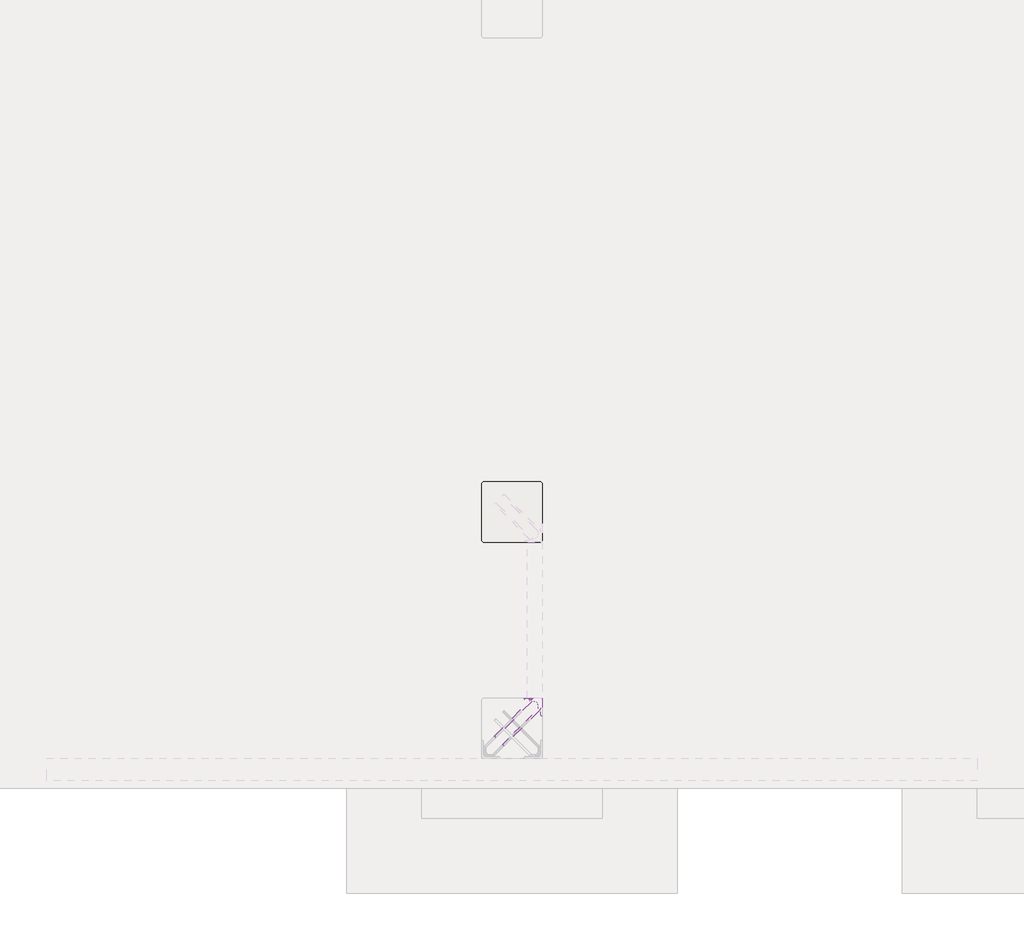
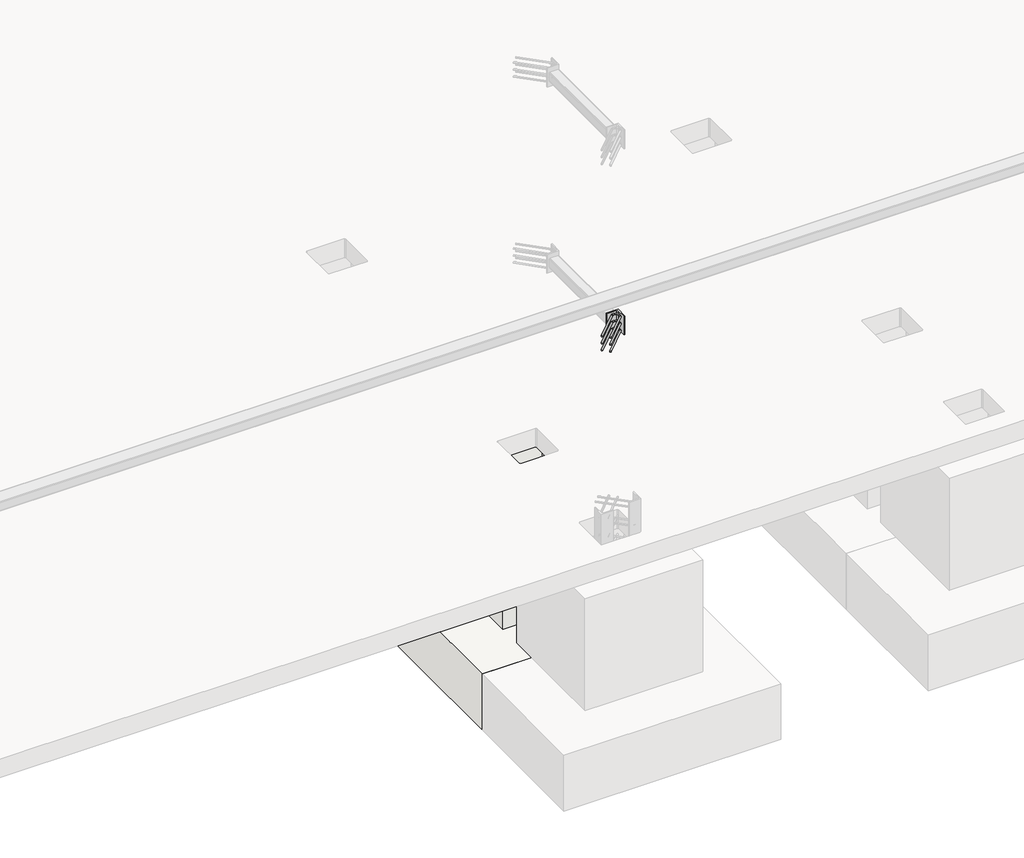
# One storey, part 47 of 65: 1 fastener, 1 slab.
"""IFC4 building model written with IfcOpenShell, lengths in millimetres."""

from ifc_helpers import new_model, si_unit, point, frame, frame_2d, origin, place, context, project, spatial, polyline, circle_curve, ellipse_curve, trimmed, segment, composite_curve, outline, extrude, faceted_brep, element, save
from ifc_brep_helpers import plane_surface, cylinder_surface, revolved_surface, advanced_brep

model = new_model("IFC4")

# Units and contexts
model_context = context("Model", 3, world=origin())
ifc_project = project(units=[si_unit("LENGTHUNIT", "METRE", prefix="MILLI")], contexts=[model_context])

# Site, building, storey
site = spatial("IfcSite", under=ifc_project)
building = spatial("IfcBuilding", under=site)
storey = spatial("IfcBuildingStorey", under=building, Elevation=0.0)

# Fastener
placement = place(None, origin())
element("IfcFastener", 1, at=placement, inside=storey, context=model_context, shape_type="SolidModel", body=[
    extrude(outline(composite_curve([segment(polyline([(71350.0, 10200.0), (71350.0, 10080.0), (71346.5, 10080.0)]), True, "CONTINUOUS"), segment(trimmed(circle_curve(frame_2d((71346.5, 10086.5)), 6.5), [point((71346.5, 10080.0))], [point((71340.0, 10086.5))], False, "CARTESIAN"), True, "CONTINUOUS"), segment(polyline([(71340.0, 10086.5), (71340.0, 10177.0)]), True, "CONTINUOUS"), segment(trimmed(circle_curve(frame_2d((71327.0, 10177.0)), 13.0), [point((71340.0, 10177.0))], [point((71327.0, 10190.0))], True, "CARTESIAN"), True, "CONTINUOUS"), segment(polyline([(71327.0, 10190.0), (71236.5, 10190.0)]), True, "CONTINUOUS"), segment(trimmed(circle_curve(frame_2d((71236.5, 10196.5)), 6.5), [point((71236.5, 10190.0))], [point((71230.0, 10196.5))], False, "CARTESIAN"), True, "CONTINUOUS"), segment(polyline([(71230.0, 10196.5), (71230.0, 10200.0), (71350.0, 10200.0)]), True, "CONTINUOUS")], self_intersect=False)), frame((0.0, 0.0, 1950.0), z_axis=(0.0, 0.0, 1.0), x_axis=(1.0, 0.0, 0.0)), (0.0, 0.0, 1.0), 200.0),
    advanced_brep(
    [(71097.4623741, 9882.5628791, 1975.0), (71087.5628791, 9892.4623741, 1975.0), (71032.5628791, 9947.4623741, 1975.0), (71042.4623741, 9937.5628791, 1975.0), (71303.0, 10176.0, 1975.0), (71303.0, 10190.0, 1975.0), (71284.2132034, 10190.0, 1975.0), (71284.2132034, 10176.0, 1975.0), (71326.0, 10153.0, 1975.0), (71340.0, 10153.0, 1975.0), (71326.0, 10134.2132034, 1975.0), (71340.0, 10134.2132034, 1975.0), (71333.5563492, 10118.6568542, 1975.0), (71323.6568543, 10128.5563492, 1975.0), (71278.5563492, 10173.6568542, 1975.0), (71268.6568543, 10183.5563492, 1975.0)],
    [
        (0, 1, circle_curve(frame((71092.5126266, 9887.5126266, 1975.0), z_axis=(-0.7071067811865505, -0.7071067811865446, 0.0), x_axis=(-0.7071067811865447, 0.7071067811865506, 0.0)), 7.0)),
        (1, 0, circle_curve(frame((71092.5126266, 9887.5126266, 1975.0), z_axis=(-0.7071067811865505, -0.7071067811865446, 0.0), x_axis=(-0.7071067811865447, 0.7071067811865506, 0.0)), 7.0)),
        (2, 3, circle_curve(frame((71037.5126266, 9942.5126266, 1975.0), z_axis=(-0.7071067811865503, -0.7071067811865447, 0.0), x_axis=(0.7071067811865447, -0.7071067811865503, 0.0)), 7.0)),
        (3, 2, circle_curve(frame((71037.5126266, 9942.5126266, 1975.0), z_axis=(-0.7071067811865503, -0.7071067811865447, 0.0), x_axis=(0.7071067811865447, -0.7071067811865503, 0.0)), 7.0)),
        (4, 5, circle_curve(frame((71303.0, 10183.0, 1975.0), z_axis=(-1.0, 0.0, 0.0), x_axis=(0.0, -1.0, 0.0)), 7.0)),
        (5, 6),
        (6, 7, circle_curve(frame((71284.2132034, 10183.0, 1975.0), z_axis=(1.0, 0.0, 0.0), x_axis=(0.0, -1.0, 0.0)), 7.0)),
        (7, 4),
        (5, 4, circle_curve(frame((71303.0, 10183.0, 1975.0), z_axis=(-1.0, 0.0, 0.0), x_axis=(0.0, -1.0, 0.0)), 7.0)),
        (7, 6, circle_curve(frame((71284.2132034, 10183.0, 1975.0), z_axis=(1.0, 0.0, 0.0), x_axis=(0.0, -1.0, 0.0)), 7.0)),
        (4, 8, circle_curve(frame((71303.0, 10153.0, 1975.0), z_axis=(0.0, 0.0, -1.0), x_axis=(1.0, 0.0, 0.0)), 23.0)),
        (8, 9, circle_curve(frame((71333.0, 10153.0, 1975.0), z_axis=(0.0, 1.0, 0.0), x_axis=(-1.0, 0.0, 0.0)), 7.0)),
        (9, 5, circle_curve(frame((71303.0, 10153.0, 1975.0), z_axis=(0.0, 0.0, 1.0), x_axis=(1.0, 0.0, 0.0)), 37.0)),
        (9, 8, circle_curve(frame((71333.0, 10153.0, 1975.0), z_axis=(0.0, 1.0, 0.0), x_axis=(-1.0, 0.0, 0.0)), 7.0)),
        (10, 11, circle_curve(frame((71333.0, 10134.2132034, 1975.0), z_axis=(0.0, 1.0, 0.0), x_axis=(-1.0, 0.0, 0.0)), 7.0)),
        (11, 9),
        (8, 10),
        (11, 10, circle_curve(frame((71333.0, 10134.2132034, 1975.0), z_axis=(0.0, 1.0, 0.0), x_axis=(-1.0, 0.0, 0.0)), 7.0)),
        (0, 12),
        (12, 13, circle_curve(frame((71328.6066017, 10123.6066017, 1975.0), z_axis=(-0.7071067811865505, -0.7071067811865446, 0.0), x_axis=(-0.7071067811865447, 0.7071067811865506, 0.0)), 7.0)),
        (13, 1),
        (13, 12, circle_curve(frame((71328.6066017, 10123.6066017, 1975.0), z_axis=(-0.7071067811865505, -0.7071067811865446, 0.0), x_axis=(-0.7071067811865447, 0.7071067811865506, 0.0)), 7.0)),
        (10, 13, circle_curve(frame((71318.0, 10134.2132034, 1975.0), z_axis=(0.0, 0.0, -1.0), x_axis=(0.7071067811865445, -0.7071067811865506, 0.0)), 8.0)),
        (12, 11, circle_curve(frame((71318.0, 10134.2132034, 1975.0), z_axis=(0.0, 0.0, 1.0), x_axis=(0.7071067811865445, -0.7071067811865506, 0.0)), 22.0)),
        (14, 7, circle_curve(frame((71284.2132034, 10168.0, 1975.0), z_axis=(0.0, 0.0, -1.0), x_axis=(0.0, 1.0, 0.0)), 8.0)),
        (6, 15, circle_curve(frame((71284.2132034, 10168.0, 1975.0), z_axis=(0.0, 0.0, 1.0), x_axis=(0.0, 1.0, 0.0)), 22.0)),
        (15, 14, circle_curve(frame((71273.6066017, 10178.6066017, 1975.0), z_axis=(0.7071067811865501, 0.7071067811865449, 0.0), x_axis=(0.7071067811865449, -0.7071067811865501, 0.0)), 7.0)),
        (14, 15, circle_curve(frame((71273.6066017, 10178.6066017, 1975.0), z_axis=(0.7071067811865496, 0.7071067811865455, 0.0), x_axis=(0.7071067811865455, -0.7071067811865496, 0.0)), 7.0)),
        (15, 2),
        (3, 14),
    ],
    [
        plane_surface(frame((71092.5126266, 9887.5126266, 1975.0), z_axis=(-0.7071067811865505, -0.7071067811865446, 0.0), x_axis=(0.0, 0.0, 1.0))),
        plane_surface(frame((71037.5126266, 9942.5126266, 1975.0), z_axis=(-0.7071067811865503, -0.7071067811865447, 0.0), x_axis=(0.0, 0.0, 1.0))),
        cylinder_surface(frame((71303.0, 10183.0, 1975.0), z_axis=(1.0, 0.0, 0.0), x_axis=(0.0, -1.0, 0.0)), 7.0),
        revolved_surface(trimmed(ellipse_curve(frame((71333.0, 10153.0, 1975.0), z_axis=(0.0, -1.0, 0.0), x_axis=(-1.0, 0.0, 0.0)), 7.0, 7.0), [point((71340.0, 10153.0, 1975.0))], [point((71326.0, 10153.0, 1975.0))], True, "CARTESIAN"), (71303.0, 10153.0, 1975.0), (0.0, 0.0, 1.0)),
        revolved_surface(trimmed(ellipse_curve(frame((71333.0, 10153.0, 1975.0), z_axis=(0.0, -1.0, 0.0), x_axis=(-1.0, 0.0, 0.0)), 7.0, 7.0), [point((71326.0, 10153.0, 1975.0))], [point((71340.0, 10153.0, 1975.0))], True, "CARTESIAN"), (71303.0, 10153.0, 1975.0), (0.0, 0.0, 1.0)),
        cylinder_surface(frame((71333.0, 10134.2132034, 1975.0), z_axis=(0.0, -1.0, 0.0), x_axis=(-1.0, 0.0, 0.0)), 7.0),
        cylinder_surface(frame((71092.5126266, 9887.5126266, 1975.0), z_axis=(-0.7071067811865506, -0.7071067811865447, 0.0), x_axis=(-0.7071067811865447, 0.7071067811865506, 0.0)), 7.0),
        revolved_surface(trimmed(ellipse_curve(frame((71328.6066017, 10123.6066017, 1975.0), z_axis=(-0.7071067811865506, -0.7071067811865445, 0.0), x_axis=(-0.7071067811865445, 0.7071067811865506, 0.0)), 7.0, 7.0), [point((71333.5563492, 10118.6568542, 1975.0))], [point((71323.6568543, 10128.5563492, 1975.0))], True, "CARTESIAN"), (71318.0, 10134.2132034, 1975.0), (0.0, 0.0, 1.0)),
        revolved_surface(trimmed(ellipse_curve(frame((71328.6066017, 10123.6066017, 1975.0), z_axis=(-0.7071067811865506, -0.7071067811865445, 0.0), x_axis=(-0.7071067811865445, 0.7071067811865506, 0.0)), 7.0, 7.0), [point((71323.6568543, 10128.5563492, 1975.0))], [point((71333.5563492, 10118.6568542, 1975.0))], True, "CARTESIAN"), (71318.0, 10134.2132034, 1975.0), (0.0, 0.0, 1.0)),
        revolved_surface(trimmed(ellipse_curve(frame((71284.2132034, 10183.0, 1975.0), z_axis=(1.0, 0.0, 0.0), x_axis=(0.0, -1.0, 0.0)), 7.0, 7.0), [point((71284.2132034, 10190.0, 1975.0))], [point((71284.2132034, 10176.0, 1975.0))], True, "CARTESIAN"), (71284.2132034, 10168.0, 1975.0), (0.0, 0.0, 1.0)),
        revolved_surface(trimmed(ellipse_curve(frame((71284.2132034, 10183.0, 1975.0), z_axis=(1.0, 0.0, 0.0), x_axis=(0.0, -1.0, 0.0)), 7.0, 7.0), [point((71284.2132034, 10176.0, 1975.0))], [point((71284.2132034, 10190.0, 1975.0))], True, "CARTESIAN"), (71284.2132034, 10168.0, 1975.0), (0.0, 0.0, 1.0)),
        cylinder_surface(frame((71273.6066017, 10178.6066017, 1975.0), z_axis=(0.7071067811865503, 0.7071067811865447, 0.0), x_axis=(0.7071067811865447, -0.7071067811865503, 0.0)), 7.0),
    ],
    [
        (0, [[1, 2]]),
        (1, [[3, 4]]),
        (2, [[5, 6, 7, 8]]),
        (2, [[9, -8, 10, -6]]),
        (3, [[11, 12, 13, -5]]),
        (4, [[-13, 14, -11, -9]]),
        (5, [[15, 16, -12, 17]]),
        (5, [[18, -17, -14, -16]]),
        (6, [[-1, 19, 20, 21]]),
        (6, [[-2, -21, 22, -19]]),
        (7, [[23, -20, 24, -15]]),
        (8, [[-24, -22, -23, -18]]),
        (9, [[25, -7, 26, 27]]),
        (10, [[-26, -10, -25, 28]]),
        (11, [[-27, 29, -4, 30]]),
        (11, [[-28, -30, -3, -29]]),
    ],
),
    advanced_brep(
    [(71087.5628791, 9892.4623741, 2125.0), (71097.4623741, 9882.5628791, 2125.0), (71042.4623741, 9937.5628791, 2125.0), (71032.5628791, 9947.4623741, 2125.0), (71303.0, 10190.0, 2125.0), (71303.0, 10176.0, 2125.0), (71284.2132034, 10176.0, 2125.0), (71284.2132034, 10190.0, 2125.0), (71340.0, 10153.0, 2125.0), (71326.0, 10153.0, 2125.0), (71340.0, 10134.2132034, 2125.0), (71326.0, 10134.2132034, 2125.0), (71323.6568543, 10128.5563492, 2125.0), (71333.5563492, 10118.6568542, 2125.0), (71268.6568543, 10183.5563492, 2125.0), (71278.5563492, 10173.6568542, 2125.0)],
    [
        (0, 1, circle_curve(frame((71092.5126266, 9887.5126266, 2125.0), z_axis=(-0.7071067811865505, -0.7071067811865446, 0.0), x_axis=(0.7071067811865447, -0.7071067811865506, 0.0)), 7.0)),
        (1, 0, circle_curve(frame((71092.5126266, 9887.5126266, 2125.0), z_axis=(-0.7071067811865505, -0.7071067811865446, 0.0), x_axis=(0.7071067811865447, -0.7071067811865506, 0.0)), 7.0)),
        (2, 3, circle_curve(frame((71037.5126266, 9942.5126266, 2125.0), z_axis=(-0.7071067811865505, -0.7071067811865447, 0.0), x_axis=(-0.7071067811865447, 0.7071067811865505, 0.0)), 7.0)),
        (3, 2, circle_curve(frame((71037.5126266, 9942.5126266, 2125.0), z_axis=(-0.7071067811865505, -0.7071067811865447, 0.0), x_axis=(-0.7071067811865447, 0.7071067811865505, 0.0)), 7.0)),
        (4, 5, circle_curve(frame((71303.0, 10183.0, 2125.0), z_axis=(-1.0, 0.0, 0.0), x_axis=(0.0, 1.0, 0.0)), 7.0)),
        (5, 6),
        (6, 7, circle_curve(frame((71284.2132034, 10183.0, 2125.0), z_axis=(1.0, 0.0, 0.0), x_axis=(0.0, 1.0, 0.0)), 7.0)),
        (7, 4),
        (5, 4, circle_curve(frame((71303.0, 10183.0, 2125.0), z_axis=(-1.0, 0.0, 0.0), x_axis=(0.0, 1.0, 0.0)), 7.0)),
        (7, 6, circle_curve(frame((71284.2132034, 10183.0, 2125.0), z_axis=(1.0, 0.0, 0.0), x_axis=(0.0, 1.0, 0.0)), 7.0)),
        (4, 8, circle_curve(frame((71303.0, 10153.0, 2125.0), z_axis=(0.0, 0.0, -1.0), x_axis=(1.0, 0.0, 0.0)), 37.0)),
        (8, 9, circle_curve(frame((71333.0, 10153.0, 2125.0), z_axis=(0.0, 1.0, 0.0), x_axis=(1.0, 0.0, 0.0)), 7.0)),
        (9, 5, circle_curve(frame((71303.0, 10153.0, 2125.0), z_axis=(0.0, 0.0, 1.0), x_axis=(1.0, 0.0, 0.0)), 23.0)),
        (9, 8, circle_curve(frame((71333.0, 10153.0, 2125.0), z_axis=(0.0, 1.0, 0.0), x_axis=(1.0, 0.0, 0.0)), 7.0)),
        (10, 11, circle_curve(frame((71333.0, 10134.2132034, 2125.0), z_axis=(0.0, 1.0, 0.0), x_axis=(1.0, 0.0, 0.0)), 7.0)),
        (11, 9),
        (8, 10),
        (11, 10, circle_curve(frame((71333.0, 10134.2132034, 2125.0), z_axis=(0.0, 1.0, 0.0), x_axis=(1.0, 0.0, 0.0)), 7.0)),
        (0, 12),
        (12, 13, circle_curve(frame((71328.6066017, 10123.6066017, 2125.0), z_axis=(-0.7071067811865505, -0.7071067811865446, 0.0), x_axis=(0.7071067811865447, -0.7071067811865506, 0.0)), 7.0)),
        (13, 1),
        (13, 12, circle_curve(frame((71328.6066017, 10123.6066017, 2125.0), z_axis=(-0.7071067811865505, -0.7071067811865446, 0.0), x_axis=(0.7071067811865447, -0.7071067811865506, 0.0)), 7.0)),
        (10, 13, circle_curve(frame((71318.0, 10134.2132034, 2125.0), z_axis=(0.0, 0.0, -1.0), x_axis=(0.7071067811865445, -0.7071067811865506, 0.0)), 22.0)),
        (12, 11, circle_curve(frame((71318.0, 10134.2132034, 2125.0), z_axis=(0.0, 0.0, 1.0), x_axis=(0.7071067811865445, -0.7071067811865506, 0.0)), 8.0)),
        (14, 7, circle_curve(frame((71284.2132034, 10168.0, 2125.0), z_axis=(0.0, 0.0, -1.0), x_axis=(0.0, 1.0, 0.0)), 22.0)),
        (6, 15, circle_curve(frame((71284.2132034, 10168.0, 2125.0), z_axis=(0.0, 0.0, 1.0), x_axis=(0.0, 1.0, 0.0)), 8.0)),
        (15, 14, circle_curve(frame((71273.6066017, 10178.6066017, 2125.0), z_axis=(0.7071067811865488, 0.7071067811865462, 0.0), x_axis=(-0.7071067811865462, 0.7071067811865488, 0.0)), 7.0)),
        (14, 15, circle_curve(frame((71273.6066017, 10178.6066017, 2125.0), z_axis=(0.7071067811865496, 0.7071067811865455, 0.0), x_axis=(-0.7071067811865455, 0.7071067811865496, 0.0)), 7.0)),
        (15, 2),
        (3, 14),
    ],
    [
        plane_surface(frame((71092.5126266, 9887.5126266, 2125.0), z_axis=(-0.7071067811865505, -0.7071067811865446, 0.0), x_axis=(0.0, 0.0, -1.0))),
        plane_surface(frame((71037.5126266, 9942.5126266, 2125.0), z_axis=(-0.7071067811865505, -0.7071067811865447, 0.0), x_axis=(0.0, 0.0, -1.0))),
        cylinder_surface(frame((71303.0, 10183.0, 2125.0), z_axis=(1.0, 0.0, 0.0), x_axis=(0.0, 1.0, 0.0)), 7.0),
        revolved_surface(trimmed(ellipse_curve(frame((71333.0, 10153.0, 2125.0), z_axis=(0.0, -1.0, 0.0), x_axis=(1.0, 0.0, 0.0)), 7.0, 7.0), [point((71326.0, 10153.0, 2125.0))], [point((71340.0, 10153.0, 2125.0))], True, "CARTESIAN"), (71303.0, 10153.0, 2125.0), (0.0, 0.0, 1.0)),
        revolved_surface(trimmed(ellipse_curve(frame((71333.0, 10153.0, 2125.0), z_axis=(0.0, -1.0, 0.0), x_axis=(1.0, 0.0, 0.0)), 7.0, 7.0), [point((71340.0, 10153.0, 2125.0))], [point((71326.0, 10153.0, 2125.0))], True, "CARTESIAN"), (71303.0, 10153.0, 2125.0), (0.0, 0.0, 1.0)),
        cylinder_surface(frame((71333.0, 10134.2132034, 2125.0), z_axis=(0.0, -1.0, 0.0), x_axis=(1.0, 0.0, 0.0)), 7.0),
        cylinder_surface(frame((71092.5126266, 9887.5126266, 2125.0), z_axis=(-0.7071067811865506, -0.7071067811865447, 0.0), x_axis=(0.7071067811865447, -0.7071067811865506, 0.0)), 7.0),
        revolved_surface(trimmed(ellipse_curve(frame((71328.6066017, 10123.6066017, 2125.0), z_axis=(-0.7071067811865506, -0.7071067811865445, 0.0), x_axis=(0.7071067811865445, -0.7071067811865506, 0.0)), 7.0, 7.0), [point((71323.6568543, 10128.5563492, 2125.0))], [point((71333.5563492, 10118.6568542, 2125.0))], True, "CARTESIAN"), (71318.0, 10134.2132034, 2125.0), (0.0, 0.0, 1.0)),
        revolved_surface(trimmed(ellipse_curve(frame((71328.6066017, 10123.6066017, 2125.0), z_axis=(-0.7071067811865506, -0.7071067811865445, 0.0), x_axis=(0.7071067811865445, -0.7071067811865506, 0.0)), 7.0, 7.0), [point((71333.5563492, 10118.6568542, 2125.0))], [point((71323.6568543, 10128.5563492, 2125.0))], True, "CARTESIAN"), (71318.0, 10134.2132034, 2125.0), (0.0, 0.0, 1.0)),
        revolved_surface(trimmed(ellipse_curve(frame((71284.2132034, 10183.0, 2125.0), z_axis=(1.0, 0.0, 0.0), x_axis=(0.0, 1.0, 0.0)), 7.0, 7.0), [point((71284.2132034, 10176.0, 2125.0))], [point((71284.2132034, 10190.0, 2125.0))], True, "CARTESIAN"), (71284.2132034, 10168.0, 2125.0), (0.0, 0.0, 1.0)),
        revolved_surface(trimmed(ellipse_curve(frame((71284.2132034, 10183.0, 2125.0), z_axis=(1.0, 0.0, 0.0), x_axis=(0.0, 1.0, 0.0)), 7.0, 7.0), [point((71284.2132034, 10190.0, 2125.0))], [point((71284.2132034, 10176.0, 2125.0))], True, "CARTESIAN"), (71284.2132034, 10168.0, 2125.0), (0.0, 0.0, 1.0)),
        cylinder_surface(frame((71273.6066017, 10178.6066017, 2125.0), z_axis=(0.7071067811865505, 0.7071067811865447, 0.0), x_axis=(-0.7071067811865447, 0.7071067811865505, 0.0)), 7.0),
    ],
    [
        (0, [[1, 2]]),
        (1, [[3, 4]]),
        (2, [[5, 6, 7, 8]]),
        (2, [[9, -8, 10, -6]]),
        (3, [[11, 12, 13, -5]]),
        (4, [[-13, 14, -11, -9]]),
        (5, [[15, 16, -12, 17]]),
        (5, [[18, -17, -14, -16]]),
        (6, [[-1, 19, 20, 21]]),
        (6, [[-2, -21, 22, -19]]),
        (7, [[23, -20, 24, -15]]),
        (8, [[-24, -22, -23, -18]]),
        (9, [[25, -7, 26, 27]]),
        (10, [[-26, -10, -25, 28]]),
        (11, [[-27, 29, -4, 30]]),
        (11, [[-28, -30, -3, -29]]),
    ],
),
    advanced_brep(
    [(71087.5628791, 9892.4623741, 2050.0), (71097.4623741, 9882.5628791, 2050.0), (71042.4623741, 9937.5628791, 2050.0), (71032.5628791, 9947.4623741, 2050.0), (71303.0, 10190.0, 2050.0), (71303.0, 10176.0, 2050.0), (71284.2132034, 10176.0, 2050.0), (71284.2132034, 10190.0, 2050.0), (71340.0, 10153.0, 2050.0), (71326.0, 10153.0, 2050.0), (71340.0, 10134.2132034, 2050.0), (71326.0, 10134.2132034, 2050.0), (71323.6568543, 10128.5563492, 2050.0), (71333.5563492, 10118.6568542, 2050.0), (71268.6568543, 10183.5563492, 2050.0), (71278.5563492, 10173.6568542, 2050.0)],
    [
        (0, 1, circle_curve(frame((71092.5126266, 9887.5126266, 2050.0), z_axis=(-0.7071067811865505, -0.7071067811865446, 0.0), x_axis=(0.7071067811865446, -0.7071067811865505, 0.0)), 7.0)),
        (1, 0, circle_curve(frame((71092.5126266, 9887.5126266, 2050.0), z_axis=(-0.7071067811865505, -0.7071067811865446, 0.0), x_axis=(0.7071067811865446, -0.7071067811865505, 0.0)), 7.0)),
        (2, 3, circle_curve(frame((71037.5126266, 9942.5126266, 2050.0), z_axis=(-0.7071067811865505, -0.7071067811865447, 0.0), x_axis=(-0.7071067811865447, 0.7071067811865505, 0.0)), 7.0)),
        (3, 2, circle_curve(frame((71037.5126266, 9942.5126266, 2050.0), z_axis=(-0.7071067811865505, -0.7071067811865447, 0.0), x_axis=(-0.7071067811865447, 0.7071067811865505, 0.0)), 7.0)),
        (4, 5, circle_curve(frame((71303.0, 10183.0, 2050.0), z_axis=(-1.0, 0.0, 0.0), x_axis=(0.0, 1.0, 0.0)), 7.0)),
        (5, 6),
        (6, 7, circle_curve(frame((71284.2132034, 10183.0, 2050.0), z_axis=(1.0, 0.0, 0.0), x_axis=(0.0, 1.0, 0.0)), 7.0)),
        (7, 4),
        (5, 4, circle_curve(frame((71303.0, 10183.0, 2050.0), z_axis=(-1.0, 0.0, 0.0), x_axis=(0.0, 1.0, 0.0)), 7.0)),
        (7, 6, circle_curve(frame((71284.2132034, 10183.0, 2050.0), z_axis=(1.0, 0.0, 0.0), x_axis=(0.0, 1.0, 0.0)), 7.0)),
        (4, 8, circle_curve(frame((71303.0, 10153.0, 2050.0), z_axis=(0.0, 0.0, -1.0), x_axis=(1.0, 0.0, 0.0)), 37.0)),
        (8, 9, circle_curve(frame((71333.0, 10153.0, 2050.0), z_axis=(0.0, 1.0, 0.0), x_axis=(1.0, 0.0, 0.0)), 7.0)),
        (9, 5, circle_curve(frame((71303.0, 10153.0, 2050.0), z_axis=(0.0, 0.0, 1.0), x_axis=(1.0, 0.0, 0.0)), 23.0)),
        (9, 8, circle_curve(frame((71333.0, 10153.0, 2050.0), z_axis=(0.0, 1.0, 0.0), x_axis=(1.0, 0.0, 0.0)), 7.0)),
        (10, 11, circle_curve(frame((71333.0, 10134.2132034, 2050.0), z_axis=(0.0, 1.0, 0.0), x_axis=(1.0, 0.0, 0.0)), 7.0)),
        (11, 9),
        (8, 10),
        (11, 10, circle_curve(frame((71333.0, 10134.2132034, 2050.0), z_axis=(0.0, 1.0, 0.0), x_axis=(1.0, 0.0, 0.0)), 7.0)),
        (0, 12),
        (12, 13, circle_curve(frame((71328.6066017, 10123.6066017, 2050.0), z_axis=(-0.7071067811865505, -0.7071067811865446, 0.0), x_axis=(0.7071067811865446, -0.7071067811865505, 0.0)), 7.0)),
        (13, 1),
        (13, 12, circle_curve(frame((71328.6066017, 10123.6066017, 2050.0), z_axis=(-0.7071067811865505, -0.7071067811865446, 0.0), x_axis=(0.7071067811865446, -0.7071067811865505, 0.0)), 7.0)),
        (10, 13, circle_curve(frame((71318.0, 10134.2132034, 2050.0), z_axis=(0.0, 0.0, -1.0), x_axis=(0.7071067811865445, -0.7071067811865506, 0.0)), 22.0)),
        (12, 11, circle_curve(frame((71318.0, 10134.2132034, 2050.0), z_axis=(0.0, 0.0, 1.0), x_axis=(0.7071067811865445, -0.7071067811865506, 0.0)), 8.0)),
        (14, 7, circle_curve(frame((71284.2132034, 10168.0, 2050.0), z_axis=(0.0, 0.0, -1.0), x_axis=(0.0, 1.0, 0.0)), 22.0)),
        (6, 15, circle_curve(frame((71284.2132034, 10168.0, 2050.0), z_axis=(0.0, 0.0, 1.0), x_axis=(0.0, 1.0, 0.0)), 8.0)),
        (15, 14, circle_curve(frame((71273.6066017, 10178.6066017, 2050.0), z_axis=(0.7071067811865502, 0.7071067811865448, 0.0), x_axis=(-0.7071067811865448, 0.7071067811865502, 0.0)), 7.0)),
        (14, 15, circle_curve(frame((71273.6066017, 10178.6066017, 2050.0), z_axis=(0.7071067811865501, 0.7071067811865449, 0.0), x_axis=(-0.7071067811865449, 0.7071067811865501, 0.0)), 7.0)),
        (15, 2),
        (3, 14),
    ],
    [
        plane_surface(frame((71092.5126266, 9887.5126266, 2050.0), z_axis=(-0.7071067811865505, -0.7071067811865446, 0.0), x_axis=(0.0, 0.0, -1.0))),
        plane_surface(frame((71037.5126266, 9942.5126266, 2050.0), z_axis=(-0.7071067811865503, -0.7071067811865448, 0.0), x_axis=(0.0, 0.0, -1.0))),
        cylinder_surface(frame((71303.0, 10183.0, 2050.0), z_axis=(1.0, 0.0, 0.0), x_axis=(0.0, 1.0, 0.0)), 7.0),
        revolved_surface(trimmed(ellipse_curve(frame((71333.0, 10153.0, 2050.0), z_axis=(0.0, -1.0, 0.0), x_axis=(1.0, 0.0, 0.0)), 7.0, 7.0), [point((71326.0, 10153.0, 2050.0))], [point((71340.0, 10153.0, 2050.0))], True, "CARTESIAN"), (71303.0, 10153.0, 2050.0), (0.0, 0.0, 1.0)),
        revolved_surface(trimmed(ellipse_curve(frame((71333.0, 10153.0, 2050.0), z_axis=(0.0, -1.0, 0.0), x_axis=(1.0, 0.0, 0.0)), 7.0, 7.0), [point((71340.0, 10153.0, 2050.0))], [point((71326.0, 10153.0, 2050.0))], True, "CARTESIAN"), (71303.0, 10153.0, 2050.0), (0.0, 0.0, 1.0)),
        cylinder_surface(frame((71333.0, 10134.2132034, 2050.0), z_axis=(0.0, -1.0, 0.0), x_axis=(1.0, 0.0, 0.0)), 7.0),
        cylinder_surface(frame((71092.5126266, 9887.5126266, 2050.0), z_axis=(-0.7071067811865505, -0.7071067811865446, 0.0), x_axis=(0.7071067811865446, -0.7071067811865505, 0.0)), 7.0),
        revolved_surface(trimmed(ellipse_curve(frame((71328.6066017, 10123.6066017, 2050.0), z_axis=(-0.7071067811865507, -0.7071067811865444, 0.0), x_axis=(0.7071067811865444, -0.7071067811865507, 0.0)), 7.0, 7.0), [point((71323.6568543, 10128.5563492, 2050.0))], [point((71333.5563492, 10118.6568542, 2050.0))], True, "CARTESIAN"), (71318.0, 10134.2132034, 2050.0), (0.0, 0.0, 1.0)),
        revolved_surface(trimmed(ellipse_curve(frame((71328.6066017, 10123.6066017, 2050.0), z_axis=(-0.7071067811865507, -0.7071067811865444, 0.0), x_axis=(0.7071067811865444, -0.7071067811865507, 0.0)), 7.0, 7.0), [point((71333.5563492, 10118.6568542, 2050.0))], [point((71323.6568543, 10128.5563492, 2050.0))], True, "CARTESIAN"), (71318.0, 10134.2132034, 2050.0), (0.0, 0.0, 1.0)),
        revolved_surface(trimmed(ellipse_curve(frame((71284.2132034, 10183.0, 2050.0), z_axis=(1.0, 0.0, 0.0), x_axis=(0.0, 1.0, 0.0)), 7.0, 7.0), [point((71284.2132034, 10176.0, 2050.0))], [point((71284.2132034, 10190.0, 2050.0))], True, "CARTESIAN"), (71284.2132034, 10168.0, 2050.0), (0.0, 0.0, 1.0)),
        revolved_surface(trimmed(ellipse_curve(frame((71284.2132034, 10183.0, 2050.0), z_axis=(1.0, 0.0, 0.0), x_axis=(0.0, 1.0, 0.0)), 7.0, 7.0), [point((71284.2132034, 10190.0, 2050.0))], [point((71284.2132034, 10176.0, 2050.0))], True, "CARTESIAN"), (71284.2132034, 10168.0, 2050.0), (0.0, 0.0, 1.0)),
        cylinder_surface(frame((71273.6066017, 10178.6066017, 2050.0), z_axis=(0.7071067811865505, 0.7071067811865447, 0.0), x_axis=(-0.7071067811865447, 0.7071067811865505, 0.0)), 7.0),
    ],
    [
        (0, [[1, 2]]),
        (1, [[3, 4]]),
        (2, [[5, 6, 7, 8]]),
        (2, [[9, -8, 10, -6]]),
        (3, [[11, 12, 13, -5]]),
        (4, [[-13, 14, -11, -9]]),
        (5, [[15, 16, -12, 17]]),
        (5, [[18, -17, -14, -16]]),
        (6, [[-1, 19, 20, 21]]),
        (6, [[-2, -21, 22, -19]]),
        (7, [[23, -20, 24, -15]]),
        (8, [[-24, -22, -23, -18]]),
        (9, [[25, -7, 26, 27]]),
        (10, [[-26, -10, -25, 28]]),
        (11, [[-27, 29, -4, 30]]),
        (11, [[-28, -30, -3, -29]]),
    ],
),
])

# Slab
element("IfcSlab", 2, ObjectType="F2.2x2.2x0.6m P1.2x1.2x1.2m", at=placement, inside=storey, context=model_context, shape_type="Brep", body=[
    faceted_brep([(70050.0, 10340.0, -2000.0), (72250.0, 10340.0, -2000.0), (72250.0, 10340.0, -1400.0), (71750.0, 10340.0, -1400.0), (70550.0, 10340.0, -1400.0), (70050.0, 10340.0, -1400.0), (70050.0, 12540.0, -1400.0), (72250.0, 12540.0, -1400.0), (70550.0, 12040.0, -1400.0), (71750.0, 12040.0, -1400.0), (71750.0, 10840.0, -1400.0), (70550.0, 10840.0, -1400.0), (70550.0, 12040.0, -200.0), (71750.0, 12040.0, -200.0), (70875.0, 11715.0, -1400.0), (70875.0, 11165.0, -1400.0), (71425.0, 11165.0, -1400.0), (71425.0, 11715.0, -1400.0), (70550.0, 10840.0, -200.0), (71750.0, 10840.0, -200.0), (70800.0, 11090.0, -200.0), (70800.0, 11790.0, -200.0), (71500.0, 11790.0, -200.0), (71500.0, 11090.0, -200.0), (70050.0, 12540.0, -2000.0), (72250.0, 12540.0, -2000.0)], [[[0, 1, 2, 3, 4, 5]], [[6, 5, 4, 3, 2, 7], [8, 9, 10, 11]], [[9, 8, 12, 13]], [[14, 15, 16, 17]], [[13, 12, 18, 19], [20, 21, 22, 23]], [[24, 25, 1, 0]], [[24, 0, 5, 6]], [[1, 25, 7, 2]], [[25, 24, 6, 7]], [[10, 9, 13, 19]], [[11, 10, 19, 18]], [[8, 11, 18, 12]], [[15, 14, 21, 20]], [[16, 15, 20, 23]], [[17, 16, 23, 22]], [[14, 17, 22, 21]]]),
])

save(model, "model.ifc")
